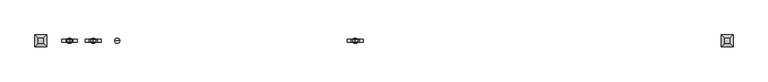
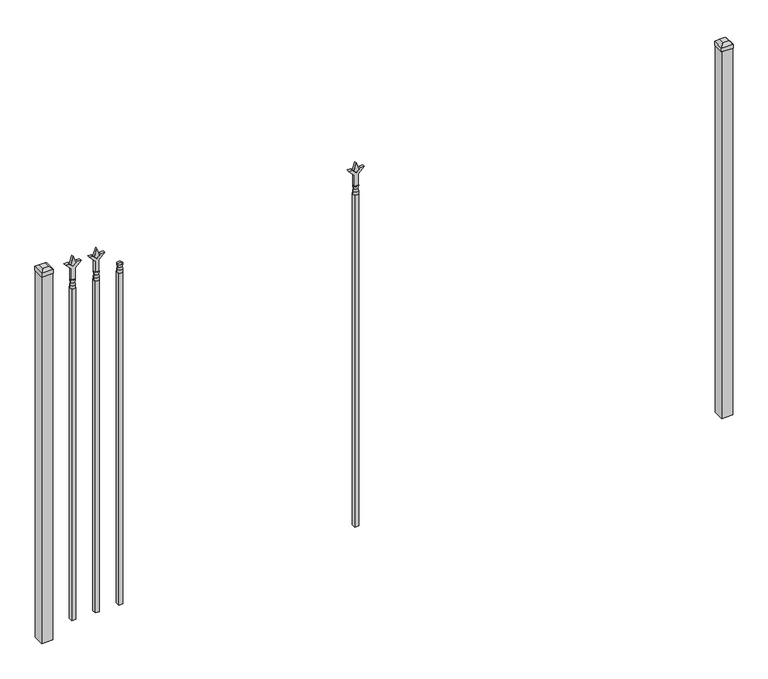
"""IFC4 building model written with IfcOpenShell, lengths in millimetres: railing geometry."""

from ifc_helpers import new_model, si_unit, frame, origin, origin_with_axes, place, context, project, spatial, polyline, circle_curve, outline, extrude, faceted_brep, source, transform, mapped, element, save
from ifc_brep_helpers import plane_surface, cylinder_surface, revolved_surface, advanced_brep


def railing_52109e31(model_context):
    return source(origin(), model_context, "Body", "SolidModel", [
        advanced_brep(
        [(-67079.1035036, -6731.2570174, 1689.1), (-67102.9160036, -6731.2570174, 1689.1), (-67102.9160036, -6731.2570174, 1676.4), (-67079.1035036, -6731.2570174, 1676.4), (-67081.3088355, -6731.2570174, 1701.6070585), (-67100.7106718, -6731.2570174, 1701.6070585), (-67079.1035036, -6731.2570174, 1717.675), (-67102.9160036, -6731.2570174, 1717.675), (-67091.0097536, -6731.2570174, 1717.675), (-67091.0097536, -6731.2570174, 1676.4)],
        [
            (0, 1, circle_curve(frame((-67091.0097536, -6731.2570174, 1689.1), z_axis=(0.0, 0.0, -1.0), x_axis=(-1.0, 0.0, 0.0)), 11.90625)),
            (1, 2),
            (2, 3, circle_curve(frame((-67091.0097536, -6731.2570174, 1676.4), z_axis=(0.0, 0.0, 1.0), x_axis=(-1.0, 0.0, 0.0)), 11.90625)),
            (3, 0),
            (1, 0, circle_curve(frame((-67091.0097536, -6731.2570174, 1689.1), z_axis=(0.0, 0.0, -1.0), x_axis=(-1.0, 0.0, 0.0)), 11.90625)),
            (3, 2, circle_curve(frame((-67091.0097536, -6731.2570174, 1676.4), z_axis=(0.0, 0.0, 1.0), x_axis=(-1.0, 0.0, 0.0)), 11.90625)),
            (4, 5, circle_curve(frame((-67091.0097536, -6731.2570174, 1701.6070585), z_axis=(0.0, 0.0, -1.0), x_axis=(-1.0, 0.0, 0.0)), 9.7009181)),
            (5, 1),
            (0, 4),
            (5, 4, circle_curve(frame((-67091.0097536, -6731.2570174, 1701.6070585), z_axis=(0.0, 0.0, -1.0), x_axis=(-1.0, 0.0, 0.0)), 9.7009181)),
            (6, 7, circle_curve(frame((-67091.0097536, -6731.2570174, 1717.675), z_axis=(0.0, 0.0, -1.0), x_axis=(-1.0, 0.0, 0.0)), 11.90625)),
            (7, 5),
            (4, 6),
            (7, 6, circle_curve(frame((-67091.0097536, -6731.2570174, 1717.675), z_axis=(0.0, 0.0, -1.0), x_axis=(-1.0, 0.0, 0.0)), 11.90625)),
            (8, 7),
            (6, 8),
            (2, 9),
            (9, 3),
        ],
        [
            cylinder_surface(frame((-67091.0097536, -6731.2570174, 1676.4), z_axis=(0.0, 0.0, 1.0), x_axis=(-1.0, 0.0, 0.0)), 11.90625),
            revolved_surface(polyline([(-67102.9160036, -6731.2570174, 1689.1), (-67100.7106718, -6731.2570174, 1701.6070585)]), (-67091.0097536, -6731.2570174, 1676.4), (0.0, 0.0, 1.0)),
            revolved_surface(polyline([(-67100.7106718, -6731.2570174, 1701.6070585), (-67102.9160036, -6731.2570174, 1717.675)]), (-67091.0097536, -6731.2570174, 1676.4), (0.0, 0.0, 1.0)),
            plane_surface(frame((-67091.0097536, -6731.2570174, 1717.675), z_axis=(0.0, 0.0, 1.0), x_axis=(-1.0, 0.0, 0.0))),
            plane_surface(frame((-67091.0097536, -6731.2570174, 1676.4), z_axis=(0.0, 0.0, -1.0), x_axis=(-1.0, 0.0, 0.0))),
        ],
        [
            (0, [[1, 2, 3, 4]]),
            (0, [[5, -4, 6, -2]]),
            (1, [[7, 8, -1, 9]]),
            (1, [[10, -9, -5, -8]]),
            (2, [[11, 12, -7, 13]]),
            (2, [[14, -13, -10, -12]]),
            (3, [[15, -11, 16]]),
            (3, [[-16, -14, -15]]),
            (4, [[-3, 17, 18]]),
            (4, [[-6, -18, -17]]),
        ],
    ),
        extrude(outline(polyline([(-67100.5347536, -6721.7320174), (-67081.4847536, -6721.7320174), (-67081.4847536, -6740.7820174), (-67100.5347536, -6740.7820174), (-67100.5347536, -6721.7320174)])), frame((0.0, 0.0, 50.8), z_axis=(0.0, 0.0, 1.0), x_axis=(1.0, 0.0, 0.0)), (0.0, 0.0, 1.0), 1625.6),
        extrude(outline(polyline([(1793.08125, -67188.3764203), (1828.8, -67200.2826703), (1793.08125, -67212.1889203), (1781.175, -67200.2826703), (1793.08125, -67188.3764203)])), frame((0.0, -6736.0195174, 0.0), z_axis=(0.0, 1.0, 0.0), x_axis=(0.0, 0.0, 1.0)), (0.0, 0.0, 1.0), 9.525),
        extrude(outline(polyline([(1717.675, -67191.5514203), (1771.9457378, -67191.5514203), (1799.1355122, -67164.3616458), (1799.1355122, -67182.3221581), (1781.175, -67200.2826703), (1799.1355122, -67218.2431825), (1799.1355122, -67236.2036948), (1771.9457378, -67209.0139203), (1717.675, -67209.0139203), (1717.675, -67191.5514203)])), frame((0.0, -6737.6070174, 0.0), z_axis=(0.0, 1.0, 0.0), x_axis=(0.0, 0.0, 1.0)), (0.0, 0.0, 1.0), 12.7),
        advanced_brep(
        [(-67188.3764203, -6731.2570174, 1689.1), (-67212.1889203, -6731.2570174, 1689.1), (-67212.1889203, -6731.2570174, 1676.4), (-67188.3764203, -6731.2570174, 1676.4), (-67190.5817522, -6731.2570174, 1701.6070585), (-67209.9835884, -6731.2570174, 1701.6070585), (-67188.3764203, -6731.2570174, 1717.675), (-67212.1889203, -6731.2570174, 1717.675), (-67200.2826703, -6731.2570174, 1717.675), (-67200.2826703, -6731.2570174, 1676.4)],
        [
            (0, 1, circle_curve(frame((-67200.2826703, -6731.2570174, 1689.1), z_axis=(0.0, 0.0, -1.0), x_axis=(-1.0, 0.0, 0.0)), 11.90625)),
            (1, 2),
            (2, 3, circle_curve(frame((-67200.2826703, -6731.2570174, 1676.4), z_axis=(0.0, 0.0, 1.0), x_axis=(-1.0, 0.0, 0.0)), 11.90625)),
            (3, 0),
            (1, 0, circle_curve(frame((-67200.2826703, -6731.2570174, 1689.1), z_axis=(0.0, 0.0, -1.0), x_axis=(-1.0, 0.0, 0.0)), 11.90625)),
            (3, 2, circle_curve(frame((-67200.2826703, -6731.2570174, 1676.4), z_axis=(0.0, 0.0, 1.0), x_axis=(-1.0, 0.0, 0.0)), 11.90625)),
            (4, 5, circle_curve(frame((-67200.2826703, -6731.2570174, 1701.6070585), z_axis=(0.0, 0.0, -1.0), x_axis=(-1.0, 0.0, 0.0)), 9.7009181)),
            (5, 1),
            (0, 4),
            (5, 4, circle_curve(frame((-67200.2826703, -6731.2570174, 1701.6070585), z_axis=(0.0, 0.0, -1.0), x_axis=(-1.0, 0.0, 0.0)), 9.7009181)),
            (6, 7, circle_curve(frame((-67200.2826703, -6731.2570174, 1717.675), z_axis=(0.0, 0.0, -1.0), x_axis=(-1.0, 0.0, 0.0)), 11.90625)),
            (7, 5),
            (4, 6),
            (7, 6, circle_curve(frame((-67200.2826703, -6731.2570174, 1717.675), z_axis=(0.0, 0.0, -1.0), x_axis=(-1.0, 0.0, 0.0)), 11.90625)),
            (8, 7),
            (6, 8),
            (2, 9),
            (9, 3),
        ],
        [
            cylinder_surface(frame((-67200.2826703, -6731.2570174, 1676.4), z_axis=(0.0, 0.0, 1.0), x_axis=(-1.0, 0.0, 0.0)), 11.90625),
            revolved_surface(polyline([(-67212.1889203, -6731.2570174, 1689.1), (-67209.9835884, -6731.2570174, 1701.6070585)]), (-67200.2826703, -6731.2570174, 1676.4), (0.0, 0.0, 1.0)),
            revolved_surface(polyline([(-67209.9835884, -6731.2570174, 1701.6070585), (-67212.1889203, -6731.2570174, 1717.675)]), (-67200.2826703, -6731.2570174, 1676.4), (0.0, 0.0, 1.0)),
            plane_surface(frame((-67200.2826703, -6731.2570174, 1717.675), z_axis=(0.0, 0.0, 1.0), x_axis=(-1.0, 0.0, 0.0))),
            plane_surface(frame((-67200.2826703, -6731.2570174, 1676.4), z_axis=(0.0, 0.0, -1.0), x_axis=(-1.0, 0.0, 0.0))),
        ],
        [
            (0, [[1, 2, 3, 4]]),
            (0, [[5, -4, 6, -2]]),
            (1, [[7, 8, -1, 9]]),
            (1, [[10, -9, -5, -8]]),
            (2, [[11, 12, -7, 13]]),
            (2, [[14, -13, -10, -12]]),
            (3, [[15, -11, 16]]),
            (3, [[-16, -14, -15]]),
            (4, [[-3, 17, 18]]),
            (4, [[-6, -18, -17]]),
        ],
    ),
        extrude(outline(polyline([(-67209.8076703, -6721.7320174), (-67190.7576703, -6721.7320174), (-67190.7576703, -6740.7820174), (-67209.8076703, -6740.7820174), (-67209.8076703, -6721.7320174)])), frame((0.0, 0.0, 50.8), z_axis=(0.0, 0.0, 1.0), x_axis=(1.0, 0.0, 0.0)), (0.0, 0.0, 1.0), 1625.6),
        extrude(outline(polyline([(1793.08125, -65986.374337), (1828.8, -65998.280587), (1793.08125, -66010.186837), (1781.175, -65998.280587), (1793.08125, -65986.374337)])), frame((0.0, -6736.0195174, 0.0), z_axis=(0.0, 1.0, 0.0), x_axis=(0.0, 0.0, 1.0)), (0.0, 0.0, 1.0), 9.525),
        extrude(outline(polyline([(1717.675, -65989.549337), (1771.9457378, -65989.549337), (1799.1355122, -65962.3595625), (1799.1355122, -65980.3200747), (1781.175, -65998.280587), (1799.1355122, -66016.2410992), (1799.1355122, -66034.2016114), (1771.9457378, -66007.011837), (1717.675, -66007.011837), (1717.675, -65989.549337)])), frame((0.0, -6737.6070174, 0.0), z_axis=(0.0, 1.0, 0.0), x_axis=(0.0, 0.0, 1.0)), (0.0, 0.0, 1.0), 12.7),
        advanced_brep(
        [(-65986.374337, -6731.2570174, 1689.1), (-66010.186837, -6731.2570174, 1689.1), (-66010.186837, -6731.2570174, 1676.4), (-65986.374337, -6731.2570174, 1676.4), (-65988.5796688, -6731.2570174, 1701.6070585), (-66007.9815051, -6731.2570174, 1701.6070585), (-65986.374337, -6731.2570174, 1717.675), (-66010.186837, -6731.2570174, 1717.675), (-65998.280587, -6731.2570174, 1717.675), (-65998.280587, -6731.2570174, 1676.4)],
        [
            (0, 1, circle_curve(frame((-65998.280587, -6731.2570174, 1689.1), z_axis=(0.0, 0.0, -1.0), x_axis=(-1.0, 0.0, 0.0)), 11.90625)),
            (1, 2),
            (2, 3, circle_curve(frame((-65998.280587, -6731.2570174, 1676.4), z_axis=(0.0, 0.0, 1.0), x_axis=(-1.0, 0.0, 0.0)), 11.90625)),
            (3, 0),
            (1, 0, circle_curve(frame((-65998.280587, -6731.2570174, 1689.1), z_axis=(0.0, 0.0, -1.0), x_axis=(-1.0, 0.0, 0.0)), 11.90625)),
            (3, 2, circle_curve(frame((-65998.280587, -6731.2570174, 1676.4), z_axis=(0.0, 0.0, 1.0), x_axis=(-1.0, 0.0, 0.0)), 11.90625)),
            (4, 5, circle_curve(frame((-65998.280587, -6731.2570174, 1701.6070585), z_axis=(0.0, 0.0, -1.0), x_axis=(-1.0, 0.0, 0.0)), 9.7009181)),
            (5, 1),
            (0, 4),
            (5, 4, circle_curve(frame((-65998.280587, -6731.2570174, 1701.6070585), z_axis=(0.0, 0.0, -1.0), x_axis=(-1.0, 0.0, 0.0)), 9.7009181)),
            (6, 7, circle_curve(frame((-65998.280587, -6731.2570174, 1717.675), z_axis=(0.0, 0.0, -1.0), x_axis=(-1.0, 0.0, 0.0)), 11.90625)),
            (7, 5),
            (4, 6),
            (7, 6, circle_curve(frame((-65998.280587, -6731.2570174, 1717.675), z_axis=(0.0, 0.0, -1.0), x_axis=(-1.0, 0.0, 0.0)), 11.90625)),
            (8, 7),
            (6, 8),
            (2, 9),
            (9, 3),
        ],
        [
            cylinder_surface(frame((-65998.280587, -6731.2570174, 1676.4), z_axis=(0.0, 0.0, 1.0), x_axis=(-1.0, 0.0, 0.0)), 11.90625),
            revolved_surface(polyline([(-66010.186837, -6731.2570174, 1689.1), (-66007.9815051, -6731.2570174, 1701.6070585)]), (-65998.280587, -6731.2570174, 1676.4), (0.0, 0.0, 1.0)),
            revolved_surface(polyline([(-66007.9815051, -6731.2570174, 1701.6070585), (-66010.186837, -6731.2570174, 1717.675)]), (-65998.280587, -6731.2570174, 1676.4), (0.0, 0.0, 1.0)),
            plane_surface(frame((-65998.280587, -6731.2570174, 1717.675), z_axis=(0.0, 0.0, 1.0), x_axis=(-1.0, 0.0, 0.0))),
            plane_surface(frame((-65998.280587, -6731.2570174, 1676.4), z_axis=(0.0, 0.0, -1.0), x_axis=(-1.0, 0.0, 0.0))),
        ],
        [
            (0, [[1, 2, 3, 4]]),
            (0, [[5, -4, 6, -2]]),
            (1, [[7, 8, -1, 9]]),
            (1, [[10, -9, -5, -8]]),
            (2, [[11, 12, -7, 13]]),
            (2, [[14, -13, -10, -12]]),
            (3, [[15, -11, 16]]),
            (3, [[-16, -14, -15]]),
            (4, [[-3, 17, 18]]),
            (4, [[-6, -18, -17]]),
        ],
    ),
        extrude(outline(polyline([(-66007.805587, -6721.7320174), (-65988.755587, -6721.7320174), (-65988.755587, -6740.7820174), (-66007.805587, -6740.7820174), (-66007.805587, -6721.7320174)])), frame((0.0, 0.0, 50.8), z_axis=(0.0, 0.0, 1.0), x_axis=(1.0, 0.0, 0.0)), (0.0, 0.0, 1.0), 1625.6),
        extrude(outline(polyline([(1793.08125, -67297.649337), (1828.8, -67309.555587), (1793.08125, -67321.461837), (1781.175, -67309.555587), (1793.08125, -67297.649337)])), frame((0.0, -6736.0195174, 0.0), z_axis=(0.0, 1.0, 0.0), x_axis=(0.0, 0.0, 1.0)), (0.0, 0.0, 1.0), 9.525),
        extrude(outline(polyline([(1717.675, -67300.824337), (1771.9457378, -67300.824337), (1799.1355122, -67273.6345625), (1799.1355122, -67291.5950747), (1781.175, -67309.555587), (1799.1355122, -67327.5160992), (1799.1355122, -67345.4766114), (1771.9457378, -67318.286837), (1717.675, -67318.286837), (1717.675, -67300.824337)])), frame((0.0, -6737.6070174, 0.0), z_axis=(0.0, 1.0, 0.0), x_axis=(0.0, 0.0, 1.0)), (0.0, 0.0, 1.0), 12.7),
        advanced_brep(
        [(-67297.649337, -6731.2570174, 1689.1), (-67321.461837, -6731.2570174, 1689.1), (-67321.461837, -6731.2570174, 1676.4), (-67297.649337, -6731.2570174, 1676.4), (-67299.8546688, -6731.2570174, 1701.6070585), (-67319.2565051, -6731.2570174, 1701.6070585), (-67297.649337, -6731.2570174, 1717.675), (-67321.461837, -6731.2570174, 1717.675), (-67309.555587, -6731.2570174, 1717.675), (-67309.555587, -6731.2570174, 1676.4)],
        [
            (0, 1, circle_curve(frame((-67309.555587, -6731.2570174, 1689.1), z_axis=(0.0, 0.0, -1.0), x_axis=(-1.0, 0.0, 0.0)), 11.90625)),
            (1, 2),
            (2, 3, circle_curve(frame((-67309.555587, -6731.2570174, 1676.4), z_axis=(0.0, 0.0, 1.0), x_axis=(-1.0, 0.0, 0.0)), 11.90625)),
            (3, 0),
            (1, 0, circle_curve(frame((-67309.555587, -6731.2570174, 1689.1), z_axis=(0.0, 0.0, -1.0), x_axis=(-1.0, 0.0, 0.0)), 11.90625)),
            (3, 2, circle_curve(frame((-67309.555587, -6731.2570174, 1676.4), z_axis=(0.0, 0.0, 1.0), x_axis=(-1.0, 0.0, 0.0)), 11.90625)),
            (4, 5, circle_curve(frame((-67309.555587, -6731.2570174, 1701.6070585), z_axis=(0.0, 0.0, -1.0), x_axis=(-1.0, 0.0, 0.0)), 9.7009181)),
            (5, 1),
            (0, 4),
            (5, 4, circle_curve(frame((-67309.555587, -6731.2570174, 1701.6070585), z_axis=(0.0, 0.0, -1.0), x_axis=(-1.0, 0.0, 0.0)), 9.7009181)),
            (6, 7, circle_curve(frame((-67309.555587, -6731.2570174, 1717.675), z_axis=(0.0, 0.0, -1.0), x_axis=(-1.0, 0.0, 0.0)), 11.90625)),
            (7, 5),
            (4, 6),
            (7, 6, circle_curve(frame((-67309.555587, -6731.2570174, 1717.675), z_axis=(0.0, 0.0, -1.0), x_axis=(-1.0, 0.0, 0.0)), 11.90625)),
            (8, 7),
            (6, 8),
            (2, 9),
            (9, 3),
        ],
        [
            cylinder_surface(frame((-67309.555587, -6731.2570174, 1676.4), z_axis=(0.0, 0.0, 1.0), x_axis=(-1.0, 0.0, 0.0)), 11.90625),
            revolved_surface(polyline([(-67321.461837, -6731.2570174, 1689.1), (-67319.2565051, -6731.2570174, 1701.6070585)]), (-67309.555587, -6731.2570174, 1676.4), (0.0, 0.0, 1.0)),
            revolved_surface(polyline([(-67319.2565051, -6731.2570174, 1701.6070585), (-67321.461837, -6731.2570174, 1717.675)]), (-67309.555587, -6731.2570174, 1676.4), (0.0, 0.0, 1.0)),
            plane_surface(frame((-67309.555587, -6731.2570174, 1717.675), z_axis=(0.0, 0.0, 1.0), x_axis=(-1.0, 0.0, 0.0))),
            plane_surface(frame((-67309.555587, -6731.2570174, 1676.4), z_axis=(0.0, 0.0, -1.0), x_axis=(-1.0, 0.0, 0.0))),
        ],
        [
            (0, [[1, 2, 3, 4]]),
            (0, [[5, -4, 6, -2]]),
            (1, [[7, 8, -1, 9]]),
            (1, [[10, -9, -5, -8]]),
            (2, [[11, 12, -7, 13]]),
            (2, [[14, -13, -10, -12]]),
            (3, [[15, -11, 16]]),
            (3, [[-16, -14, -15]]),
            (4, [[-3, 17, 18]]),
            (4, [[-6, -18, -17]]),
        ],
    ),
        extrude(outline(polyline([(-67319.080587, -6721.7320174), (-67300.030587, -6721.7320174), (-67300.030587, -6740.7820174), (-67319.080587, -6740.7820174), (-67319.080587, -6721.7320174)])), frame((0.0, 0.0, 50.8), z_axis=(0.0, 0.0, 1.0), x_axis=(1.0, 0.0, 0.0)), (0.0, 0.0, 1.0), 1625.6),
        extrude(outline(polyline([(-64266.318087, -6705.8570174), (-64266.318087, -6756.6570174), (-64317.118087, -6756.6570174), (-64317.118087, -6705.8570174), (-64266.318087, -6705.8570174)])), origin_with_axes(), (0.0, 0.0, 1.0), 1797.05),
        faceted_brep([(-64318.705587, -6704.2695174, 1816.1), (-64318.705587, -6704.2695174, 1797.05), (-64318.705587, -6758.2445174, 1797.05), (-64318.705587, -6758.2445174, 1816.1), (-64306.005587, -6716.9695174, 1828.8), (-64306.005587, -6745.5445174, 1828.8), (-64264.730587, -6758.2445174, 1797.05), (-64264.730587, -6758.2445174, 1816.1), (-64277.430587, -6745.5445174, 1828.8), (-64264.730587, -6704.2695174, 1797.05), (-64264.730587, -6704.2695174, 1816.1), (-64277.430587, -6716.9695174, 1828.8)], [[[0, 1, 2, 3]], [[4, 0, 3, 5]], [[3, 2, 6, 7]], [[5, 3, 7, 8]], [[7, 6, 9, 10]], [[8, 7, 10, 11]], [[10, 9, 1, 0]], [[11, 10, 0, 4]], [[5, 8, 11, 4]], [[1, 9, 6, 2]]]),
        extrude(outline(polyline([(-67415.918087, -6705.8570174), (-67415.918087, -6756.6570174), (-67466.718087, -6756.6570174), (-67466.718087, -6705.8570174), (-67415.918087, -6705.8570174)])), origin_with_axes(), (0.0, 0.0, 1.0), 1797.05),
        faceted_brep([(-67468.305587, -6704.2695174, 1816.1), (-67468.305587, -6704.2695174, 1797.05), (-67468.305587, -6758.2445174, 1797.05), (-67468.305587, -6758.2445174, 1816.1), (-67455.605587, -6716.9695174, 1828.8), (-67455.605587, -6745.5445174, 1828.8), (-67414.330587, -6758.2445174, 1797.05), (-67414.330587, -6758.2445174, 1816.1), (-67427.030587, -6745.5445174, 1828.8), (-67414.330587, -6704.2695174, 1797.05), (-67414.330587, -6704.2695174, 1816.1), (-67427.030587, -6716.9695174, 1828.8)], [[[0, 1, 2, 3]], [[4, 0, 3, 5]], [[3, 2, 6, 7]], [[5, 3, 7, 8]], [[7, 6, 9, 10]], [[8, 7, 10, 11]], [[10, 9, 1, 0]], [[11, 10, 0, 4]], [[5, 8, 11, 4]], [[1, 9, 6, 2]]]),
    ])


if __name__ == "__main__":
    model = new_model("IFC4")
    model_context = context("Model", 3, world=origin())
    ifc_project = project(units=[si_unit("LENGTHUNIT", "METRE", prefix="MILLI")], contexts=[model_context])
    site = spatial("IfcSite", under=ifc_project)
    building = spatial("IfcBuilding", under=site)
    placement = place(None, origin())
    railing_shape = railing_52109e31(model_context)
    element("IfcRailing", 1, at=placement, inside=building, context=model_context, shape_type="MappedRepresentation", body=[
        mapped(railing_shape, transform((0.0, 0.0, 0.0), x_axis=(1.0, 0.0, 0.0), y_axis=(0.0, 1.0, 0.0), z_axis=(0.0, 0.0, 1.0))),
    ])
    save(model, "model.ifc")
